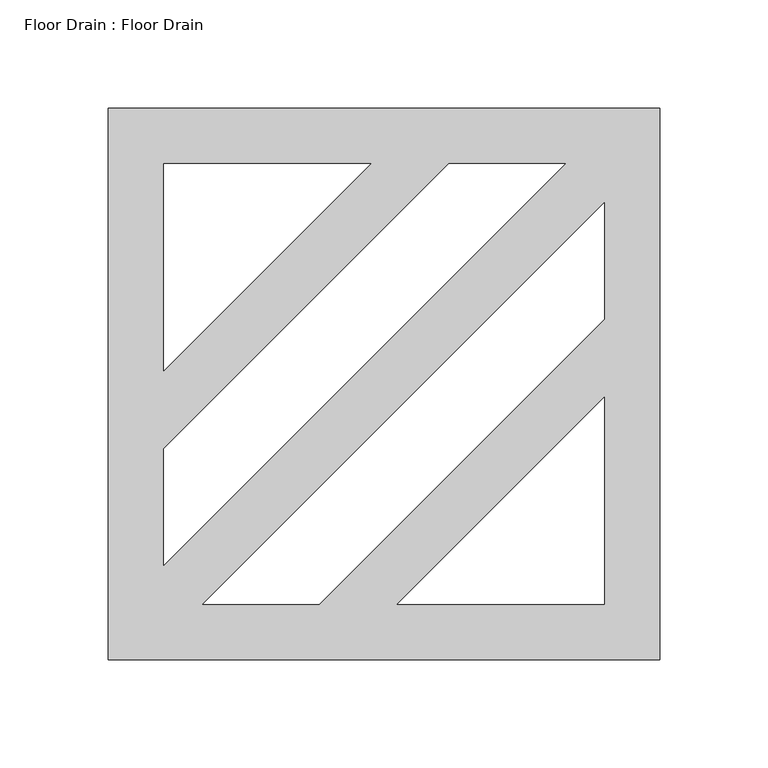
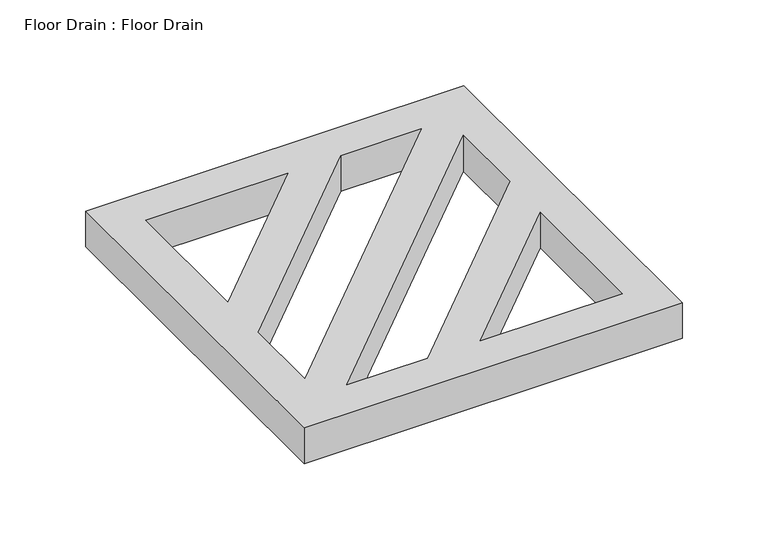
"""IFC4 building model written with IfcOpenShell, lengths in millimetres: proxy geometry, Floor Drain : Floor Drain."""

from ifc_helpers import new_model, si_unit, origin, origin_with_axes, place, context, project, spatial, polyline, outline, extrude, source, transform, mapped, element, save


def floor_drain_floor_drain_4b00d2ad(model_context):
    return source(origin(), model_context, "Body", "SweptSolid", [
        extrude(outline(polyline([(254.0, 0.0), (0.0, 0.0), (0.0, 254.0), (254.0, 254.0), (254.0, 0.0)]), holes=[polyline([(25.4, 133.1630735), (120.8369265, 228.6), (25.4, 228.6), (25.4, 133.1630735)]), polyline([(156.757951, 228.6), (25.4, 97.242049), (25.4, 43.3605122), (210.6394878, 228.6), (156.757951, 228.6)]), polyline([(228.6, 120.8369265), (133.1630735, 25.4), (228.6, 25.4), (228.6, 120.8369265)]), polyline([(97.242049, 25.4), (228.6, 156.757951), (228.6, 210.6394878), (43.3605122, 25.4), (97.242049, 25.4)])]), origin_with_axes(), (0.0, 0.0, 1.0), 25.4),
    ])


if __name__ == "__main__":
    model = new_model("IFC4")
    model_context = context("Model", 3, world=origin())
    ifc_project = project(units=[si_unit("LENGTHUNIT", "METRE", prefix="MILLI")], contexts=[model_context])
    site = spatial("IfcSite", under=ifc_project)
    building = spatial("IfcBuilding", under=site)
    placement = place(None, origin())
    floor_drain_floor_drain_shape = floor_drain_floor_drain_4b00d2ad(model_context)
    element("IfcBuildingElementProxy", 1, Name="Floor Drain : Floor Drain", ObjectType="Floor Drain : Floor Drain", at=placement, inside=building, context=model_context, shape_type="MappedRepresentation", body=[
        mapped(floor_drain_floor_drain_shape, transform((0.0, 0.0, 0.0), x_axis=(1.0, 0.0, 0.0), y_axis=(0.0, 1.0, 0.0), z_axis=(0.0, 0.0, 1.0))),
    ])
    save(model, "model.ifc")
